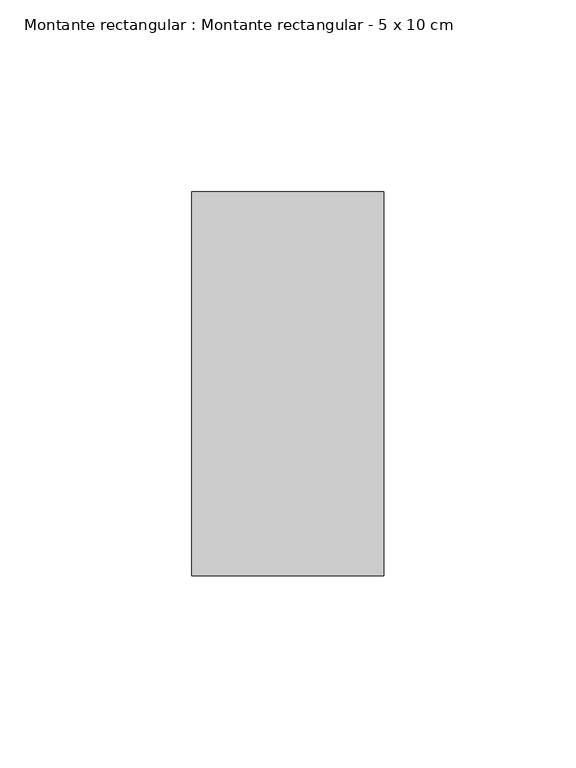
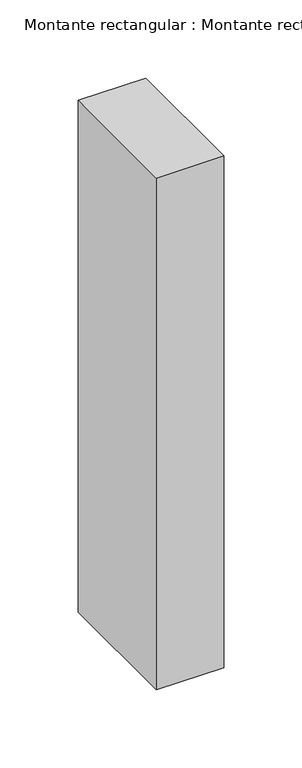
"""IFC4 building model written with IfcOpenShell, lengths in millimetres: member geometry, Montante rectangular : Montante rectangular - 5 x 10 cm."""

import ifcopenshell
import ifcopenshell.guid

model = None  # the IFC model being written
_history = None  # IfcOwnerHistory: only IFC2X3 demands one
_inside = {}  # id of a spatial element -> (the spatial element, [elements in it])
_under = {}  # id of a project, library or spatial element -> (it, [spatial elements below it])
_declared = {}  # id of a project -> (the project, [libraries it declares])
_typed = {}  # id of a type object -> (the type object, [elements of that type])
_made_of = {}  # id of a material, layer set ... -> (it, [elements and type objects made of it])


def new_model(schema):
    """Start an empty IFC model of exactly this schema.

    Asked for "IFC4X3", IfcOpenShell would pick the latest addendum, in which some entities
    have other attributes; the version numbers below select the first issue.
    IFC2X3 requires an IfcOwnerHistory on every rooted entity: one is made here for all.
    """
    global model, _history
    if schema == "IFC4X3":
        model = ifcopenshell.file(schema_version=(4, 3, 0, 0))
    else:
        model = ifcopenshell.file(schema=schema)
    _inside.clear()
    _under.clear()
    _declared.clear()
    _typed.clear()
    _made_of.clear()
    _history = None
    if model.schema == "IFC2X3":
        org = make("IfcOrganization", Name="unknown")
        user = make(
            "IfcPersonAndOrganization",
            ThePerson=make("IfcPerson", FamilyName="unknown"),
            TheOrganization=org,
        )
        app = make(
            "IfcApplication",
            ApplicationDeveloper=org,
            Version="unknown",
            ApplicationFullName="unknown",
            ApplicationIdentifier="unknown",
        )
        _history = make(
            "IfcOwnerHistory",
            OwningUser=user,
            OwningApplication=app,
            ChangeAction="ADDED",
            CreationDate=0,
        )
    return model


def make(cls, **values):
    """One entity of the class cls with the attributes given. An attribute that is None is left unset."""
    return model.create_entity(
        cls, **{name: value for name, value in values.items() if value is not None}
    )


def rooted(cls, **values):
    """An entity with a GlobalId (a new one), such as an element, a storey or a relation."""
    return make(cls, GlobalId=ifcopenshell.guid.new(), OwnerHistory=_history, **values)


def si_unit(unit_type, name, prefix=None):
    """IfcSIUnit, for example si_unit("LENGTHUNIT", "METRE", prefix="MILLI")."""
    return make("IfcSIUnit", UnitType=unit_type, Prefix=prefix, Name=name)


def assignment(units):
    """IfcUnitAssignment: the units of a project."""
    return None if units is None else make("IfcUnitAssignment", Units=units)


def point(xyz):
    """IfcCartesianPoint."""
    return None if xyz is None else make("IfcCartesianPoint", Coordinates=xyz)


def direction(xyz):
    """IfcDirection."""
    return None if xyz is None else make("IfcDirection", DirectionRatios=xyz)


def frame(location, z_axis=None, x_axis=None):
    """IfcAxis2Placement3D, a coordinate frame: its origin and axes. An axis left out is left unset."""
    return make(
        "IfcAxis2Placement3D",
        Location=point(location),
        Axis=direction(z_axis),
        RefDirection=direction(x_axis),
    )


def origin():
    """The frame at (0, 0, 0) with its axes left unset."""
    return frame((0.0, 0.0, 0.0))


def place(relative_to, where):
    """IfcLocalPlacement: puts the frame where relative to a parent placement (None: the world)."""
    return make(
        "IfcLocalPlacement", PlacementRelTo=relative_to, RelativePlacement=where
    )


def context(
    kind, dimensions, precision=None, world=None, true_north=None, identifier=None
):
    """IfcGeometricRepresentationContext, for example the 3D "Model" context."""
    return make(
        "IfcGeometricRepresentationContext",
        ContextIdentifier=identifier,
        ContextType=kind,
        CoordinateSpaceDimension=dimensions,
        Precision=precision,
        WorldCoordinateSystem=world,
        TrueNorth=true_north,
    )


def project(units=None, contexts=None):
    """IfcProject with its units and contexts."""
    return rooted(
        "IfcProject",
        Name="project",
        RepresentationContexts=contexts,
        UnitsInContext=assignment(units),
    )


def spatial(cls, under=None, at=None, **own):
    """A site, building, storey or space (cls), placed at a placement, below another one or the project."""
    s = rooted(cls, ObjectPlacement=at, **own)
    if under is not None:
        _under.setdefault(under.id(), (under, []))[1].append(s)
    return s


def polyline(points):
    """IfcPolyline through the points."""
    return make("IfcPolyline", Points=[point(p) for p in points])


def outline(outer, holes=None, kind="AREA"):
    """IfcArbitraryClosedProfileDef: a profile drawn as a closed curve; with holes, ...WithVoids."""
    if holes is None:
        return make("IfcArbitraryClosedProfileDef", ProfileType=kind, OuterCurve=outer)
    return make(
        "IfcArbitraryProfileDefWithVoids",
        ProfileType=kind,
        OuterCurve=outer,
        InnerCurves=holes,
    )


def extrude(swept, where, along, depth):
    """IfcExtrudedAreaSolid: the profile swept, set in the frame where, extruded along a direction by depth."""
    return make(
        "IfcExtrudedAreaSolid",
        SweptArea=swept,
        Position=where,
        ExtrudedDirection=direction(along),
        Depth=depth,
    )


def shape(context_of_items, identifier, shape_type, items):
    """IfcShapeRepresentation: the items that make up one representation, for example the "Body"."""
    return make(
        "IfcShapeRepresentation",
        ContextOfItems=context_of_items,
        RepresentationIdentifier=identifier,
        RepresentationType=shape_type,
        Items=items,
    )


def source(mapping_origin, context_of_items, identifier, shape_type, items):
    """IfcRepresentationMap: a shape defined once, which mapped items show again and again."""
    return make(
        "IfcRepresentationMap",
        MappingOrigin=mapping_origin,
        MappedRepresentation=shape(context_of_items, identifier, shape_type, items),
    )


def transform(
    local_origin,
    x_axis=None,
    y_axis=None,
    z_axis=None,
    scale=None,
    scale2=None,
    scale3=None,
    uniform=True,
):
    """IfcCartesianTransformationOperator3D, or its non-uniform kind. x_axis, y_axis, z_axis: its Axis1, 2, 3."""
    if uniform:
        return make(
            "IfcCartesianTransformationOperator3D",
            Axis1=direction(x_axis),
            Axis2=direction(y_axis),
            LocalOrigin=point(local_origin),
            Scale=scale,
            Axis3=direction(z_axis),
        )
    return make(
        "IfcCartesianTransformationOperator3DnonUniform",
        Axis1=direction(x_axis),
        Axis2=direction(y_axis),
        LocalOrigin=point(local_origin),
        Scale=scale,
        Axis3=direction(z_axis),
        Scale2=scale2,
        Scale3=scale3,
    )


def mapped(mapping_source, mapping_target):
    """IfcMappedItem: shows the shape of a source again, moved by a transform."""
    return make(
        "IfcMappedItem", MappingSource=mapping_source, MappingTarget=mapping_target
    )


def made_of(thing, what):
    """Note that an element or type object is made of a material, layer set ...; save() writes the relation."""
    if what is not None:
        _made_of.setdefault(what.id(), (what, []))[1].append(thing)
    return thing


def element(
    cls,
    number,
    at=None,
    inside=None,
    cuts=None,
    type_object=None,
    material=None,
    context=None,
    identifier="Body",
    shape_type=None,
    held_by="IfcProductDefinitionShape",
    body=None,
    shapes=None,
    **own,
):
    """One element of the class cls, such as IfcWall. Its Tag is "e" and its number.

    at: its placement. inside: the storey or other place that contains it. cuts: it is an
    opening in that element (IfcRelVoidsElement). A single representation is given by context,
    identifier, shape_type and body (its items); several are given by shapes. held_by: the class
    of the entity that holds the representations. save() writes the other relations.
    """
    e = rooted(cls, Tag="e%d" % number, ObjectPlacement=at, **own)
    if body is not None:
        shapes = [shape(context, identifier, shape_type, body)]
    if shapes is not None:
        e.Representation = make(held_by, Representations=shapes)
    if inside is not None:
        _inside.setdefault(inside.id(), (inside, []))[1].append(e)
    if cuts is not None:
        rooted(
            "IfcRelVoidsElement", RelatingBuildingElement=cuts, RelatedOpeningElement=e
        )
    if type_object is not None:
        _typed.setdefault(type_object.id(), (type_object, []))[1].append(e)
    return made_of(e, material)


def aggregate(whole, parts):
    """IfcRelAggregates: a whole, such as a stair, and the parts it consists of."""
    return rooted("IfcRelAggregates", RelatingObject=whole, RelatedObjects=parts)


def save(model, path):
    """Write the relations noted so far, then the file.

    IfcRelAggregates (storeys below a building ...), IfcRelContainedInSpatialStructure (elements
    in a storey), IfcRelDefinesByType, IfcRelAssociatesMaterial and IfcRelDeclares: one each for
    every whole, place, type object, material and project.
    """
    for whole, parts in _under.values():
        aggregate(whole, parts)
    for where, things in _inside.values():
        rooted(
            "IfcRelContainedInSpatialStructure",
            RelatedElements=things,
            RelatingStructure=where,
        )
    for kind, things in _typed.values():
        rooted("IfcRelDefinesByType", RelatedObjects=things, RelatingType=kind)
    for what, things in _made_of.values():
        rooted("IfcRelAssociatesMaterial", RelatedObjects=things, RelatingMaterial=what)
    for by, libraries in _declared.values():
        rooted("IfcRelDeclares", RelatingContext=by, RelatedDefinitions=libraries)
    model.write(path)


def montante_rectangular_montante_rectangular_5_x_10_cm_4c0c048c(model_context):
    return source(origin(), model_context, "Body", "SweptSolid", [
        extrude(outline(polyline([(-50.0, 50.0), (0.0, 50.0), (0.0, -50.0), (-50.0, -50.0), (-50.0, 50.0)])), frame((0.0, 0.0, -400.0), z_axis=(0.0, 0.0, 1.0), x_axis=(1.0, 0.0, 0.0)), (0.0, 0.0, 1.0), 400.0),
    ])


if __name__ == "__main__":
    model = new_model("IFC4")
    model_context = context("Model", 3, world=origin())
    ifc_project = project(units=[si_unit("LENGTHUNIT", "METRE", prefix="MILLI")], contexts=[model_context])
    site = spatial("IfcSite", under=ifc_project)
    building = spatial("IfcBuilding", under=site)
    placement = place(None, origin())
    montante_rectangular_montante_rectangular_5_x_10_cm_shape = montante_rectangular_montante_rectangular_5_x_10_cm_4c0c048c(model_context)
    element("IfcMember", 1, ObjectType="Montante rectangular : Montante rectangular - 5 x 10 cm", at=placement, inside=building, context=model_context, shape_type="MappedRepresentation", body=[
        mapped(montante_rectangular_montante_rectangular_5_x_10_cm_shape, transform((0.0, 0.0, 0.0), x_axis=(1.0, 0.0, 0.0), y_axis=(0.0, 1.0, 0.0), z_axis=(0.0, 0.0, 1.0))),
    ])
    save(model, "model.ifc")
